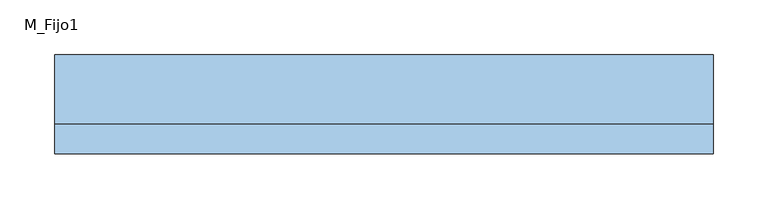
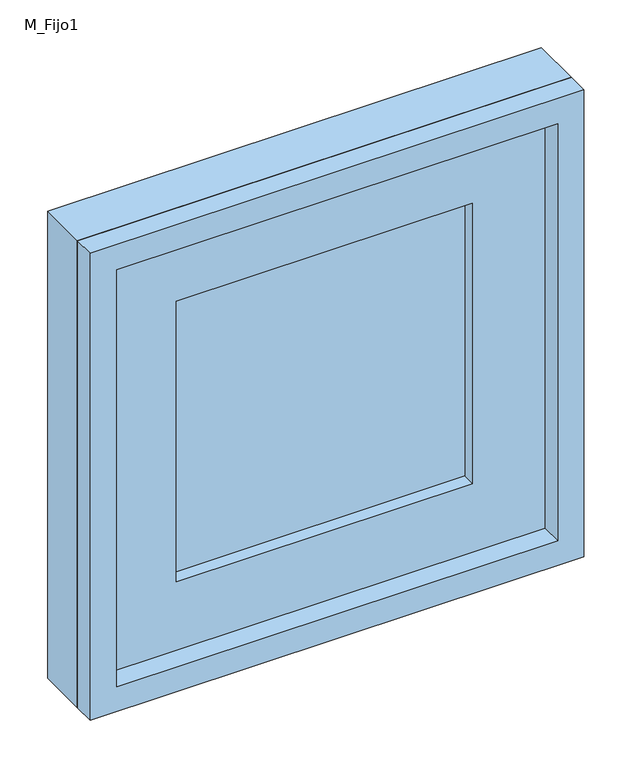
"""IFC4 building model written with IfcOpenShell, lengths in millimetres: window geometry, M_Fijo1."""

from ifc_helpers import new_model, si_unit, frame, origin, place, context, project, spatial, polyline, outline, extrude, source, transform, mapped, element, save


def m_fijo1_212930ea(model_context):
    return source(origin(), model_context, "Body", "SweptSolid", [
        extrude(outline(polyline([(-180.0, 23.0), (180.0, 23.0), (180.0, 11.0), (-180.0, 11.0), (-180.0, 23.0)])), frame((0.0, 0.0, 1220.0), z_axis=(0.0, 0.0, 1.0), x_axis=(1.0, 0.0, 0.0)), (0.0, 0.0, 1.0), 360.0),
        extrude(outline(polyline([(1681.0, -281.0), (1119.0, -281.0), (1119.0, 281.0), (1681.0, 281.0), (1681.0, -281.0)]), holes=[polyline([(1580.0, -180.0), (1580.0, 180.0), (1220.0, 180.0), (1220.0, -180.0), (1580.0, -180.0)])]), frame((0.0, -5.0, 0.0), z_axis=(0.0, 1.0, 0.0), x_axis=(0.0, 0.0, 1.0)), (0.0, 0.0, 1.0), 44.0),
        extrude(outline(polyline([(1700.0, -300.0), (1100.0, -300.0), (1100.0, 300.0), (1700.0, 300.0), (1700.0, -300.0)]), holes=[polyline([(1681.0, -281.0), (1681.0, 281.0), (1119.0, 281.0), (1119.0, -281.0), (1681.0, -281.0)])]), frame((0.0, -5.0, 0.0), z_axis=(0.0, 1.0, 0.0), x_axis=(0.0, 0.0, 1.0)), (0.0, 0.0, 1.0), 63.0),
        extrude(outline(polyline([(1700.0, -300.0), (1100.0, -300.0), (1100.0, 300.0), (1700.0, 300.0), (1700.0, -300.0)]), holes=[polyline([(1668.0, -268.0), (1668.0, 268.0), (1132.0, 268.0), (1132.0, -268.0), (1668.0, -268.0)])]), frame((0.0, -32.0, 0.0), z_axis=(0.0, 1.0, 0.0), x_axis=(0.0, 0.0, 1.0)), (0.0, 0.0, 1.0), 27.0),
    ])


if __name__ == "__main__":
    model = new_model("IFC4")
    model_context = context("Model", 3, world=origin())
    ifc_project = project(units=[si_unit("LENGTHUNIT", "METRE", prefix="MILLI")], contexts=[model_context])
    site = spatial("IfcSite", under=ifc_project)
    building = spatial("IfcBuilding", under=site)
    placement = place(None, origin())
    m_fijo1_shape = m_fijo1_212930ea(model_context)
    element("IfcWindow", 1, ObjectType="M_Fijo1", at=placement, inside=building, context=model_context, shape_type="MappedRepresentation", body=[
        mapped(m_fijo1_shape, transform((0.0, 0.0, 0.0), x_axis=(1.0, 0.0, 0.0), y_axis=(0.0, 1.0, 0.0), z_axis=(0.0, 0.0, 1.0))),
    ])
    save(model, "model.ifc")
